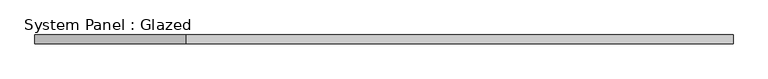
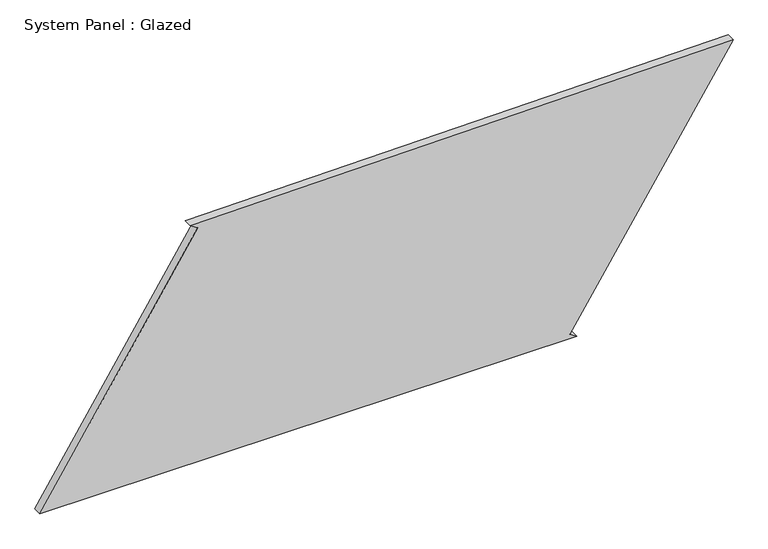
"""IFC4 building model written with IfcOpenShell, lengths in millimetres: plate geometry, System Panel : Glazed."""

from ifc_helpers import new_model, si_unit, frame, origin, place, context, project, spatial, polyline, outline, extrude, source, transform, mapped, element, save


def system_panel_glazed_67bdc9b6(model_context):
    return source(origin(), model_context, "Body", "SweptSolid", [
        extrude(outline(polyline([(0.0, -1003.6539065), (0.0, 551.5402997), (13.531003, 530.5185976), (748.5917754, 1003.6539065), (729.329819, -568.3464761), (715.8907249, -547.2658985), (0.0, -1003.6539065)])), frame((0.0, -49.5, 0.0), z_axis=(0.0, 1.0, 0.0), x_axis=(0.0, 0.0, 1.0)), (0.0, 0.0, 1.0), 25.0),
    ])


if __name__ == "__main__":
    model = new_model("IFC4")
    model_context = context("Model", 3, world=origin())
    ifc_project = project(units=[si_unit("LENGTHUNIT", "METRE", prefix="MILLI")], contexts=[model_context])
    site = spatial("IfcSite", under=ifc_project)
    building = spatial("IfcBuilding", under=site)
    placement = place(None, origin())
    system_panel_glazed_shape = system_panel_glazed_67bdc9b6(model_context)
    element("IfcPlate", 1, ObjectType="System Panel : Glazed", at=placement, inside=building, context=model_context, shape_type="MappedRepresentation", body=[
        mapped(system_panel_glazed_shape, transform((0.0, 0.0, 0.0), x_axis=(1.0, 0.0, 0.0), y_axis=(0.0, 1.0, 0.0), z_axis=(0.0, 0.0, 1.0))),
    ])
    save(model, "model.ifc")
